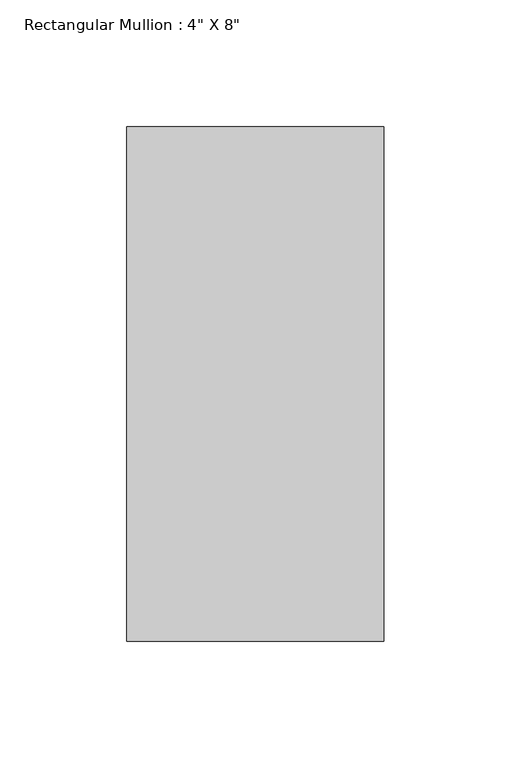
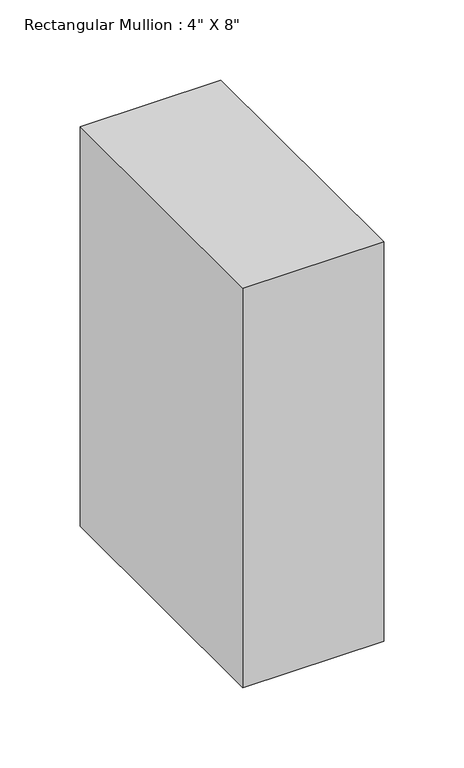
"""IFC4 building model written with IfcOpenShell, lengths in millimetres: member geometry."""

from ifc_helpers import new_model, si_unit, frame, origin, place, context, project, spatial, polyline, outline, extrude, source, transform, mapped, element, save


def member_410c8b22(model_context):
    return source(origin(), model_context, "Body", "SweptSolid", [
        extrude(outline(polyline([(0.0, 139.7), (0.0, -63.5), (-101.6, -63.5), (-101.6, 139.7), (0.0, 139.7)])), frame((0.0, 0.0, -304.8), z_axis=(0.0, 0.0, 1.0), x_axis=(1.0, 0.0, 0.0)), (0.0, 0.0, 1.0), 304.8),
    ])


if __name__ == "__main__":
    model = new_model("IFC4")
    model_context = context("Model", 3, world=origin())
    ifc_project = project(units=[si_unit("LENGTHUNIT", "METRE", prefix="MILLI")], contexts=[model_context])
    site = spatial("IfcSite", under=ifc_project)
    building = spatial("IfcBuilding", under=site)
    placement = place(None, origin())
    member_shape = member_410c8b22(model_context)
    element("IfcMember", 1, ObjectType="Rectangular Mullion : 4\" X 8\"", at=placement, inside=building, context=model_context, shape_type="MappedRepresentation", body=[
        mapped(member_shape, transform((0.0, 0.0, 0.0), x_axis=(1.0, 0.0, 0.0), y_axis=(0.0, 1.0, 0.0), z_axis=(0.0, 0.0, 1.0))),
    ])
    save(model, "model.ifc")
